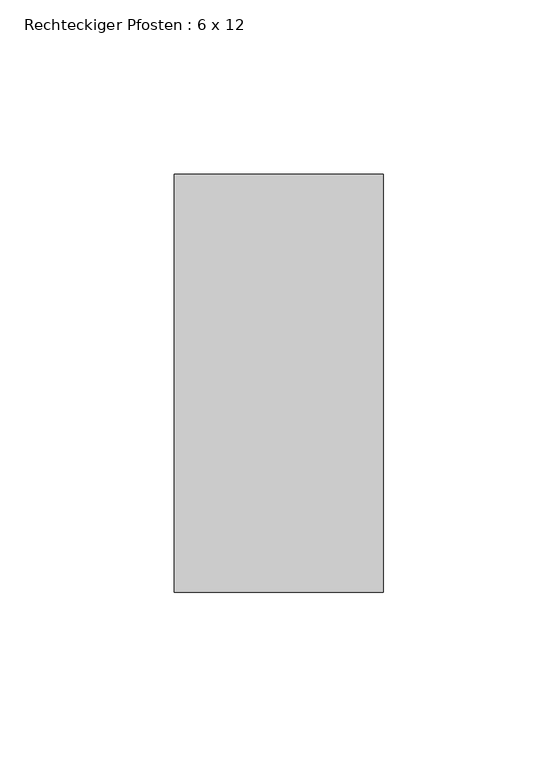
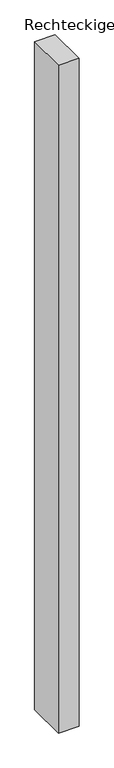
"""IFC4 building model written with IfcOpenShell, lengths in millimetres: member geometry, Rechteckiger Pfosten : 6 x 12."""

import ifcopenshell
import ifcopenshell.guid

model = None  # the IFC model being written
_history = None  # IfcOwnerHistory: only IFC2X3 demands one
_inside = {}  # id of a spatial element -> (the spatial element, [elements in it])
_under = {}  # id of a project, library or spatial element -> (it, [spatial elements below it])
_declared = {}  # id of a project -> (the project, [libraries it declares])
_typed = {}  # id of a type object -> (the type object, [elements of that type])
_made_of = {}  # id of a material, layer set ... -> (it, [elements and type objects made of it])


def new_model(schema):
    """Start an empty IFC model of exactly this schema.

    Asked for "IFC4X3", IfcOpenShell would pick the latest addendum, in which some entities
    have other attributes; the version numbers below select the first issue.
    IFC2X3 requires an IfcOwnerHistory on every rooted entity: one is made here for all.
    """
    global model, _history
    if schema == "IFC4X3":
        model = ifcopenshell.file(schema_version=(4, 3, 0, 0))
    else:
        model = ifcopenshell.file(schema=schema)
    _inside.clear()
    _under.clear()
    _declared.clear()
    _typed.clear()
    _made_of.clear()
    _history = None
    if model.schema == "IFC2X3":
        org = make("IfcOrganization", Name="unknown")
        user = make(
            "IfcPersonAndOrganization",
            ThePerson=make("IfcPerson", FamilyName="unknown"),
            TheOrganization=org,
        )
        app = make(
            "IfcApplication",
            ApplicationDeveloper=org,
            Version="unknown",
            ApplicationFullName="unknown",
            ApplicationIdentifier="unknown",
        )
        _history = make(
            "IfcOwnerHistory",
            OwningUser=user,
            OwningApplication=app,
            ChangeAction="ADDED",
            CreationDate=0,
        )
    return model


def make(cls, **values):
    """One entity of the class cls with the attributes given. An attribute that is None is left unset."""
    return model.create_entity(
        cls, **{name: value for name, value in values.items() if value is not None}
    )


def rooted(cls, **values):
    """An entity with a GlobalId (a new one), such as an element, a storey or a relation."""
    return make(cls, GlobalId=ifcopenshell.guid.new(), OwnerHistory=_history, **values)


def si_unit(unit_type, name, prefix=None):
    """IfcSIUnit, for example si_unit("LENGTHUNIT", "METRE", prefix="MILLI")."""
    return make("IfcSIUnit", UnitType=unit_type, Prefix=prefix, Name=name)


def assignment(units):
    """IfcUnitAssignment: the units of a project."""
    return None if units is None else make("IfcUnitAssignment", Units=units)


def point(xyz):
    """IfcCartesianPoint."""
    return None if xyz is None else make("IfcCartesianPoint", Coordinates=xyz)


def direction(xyz):
    """IfcDirection."""
    return None if xyz is None else make("IfcDirection", DirectionRatios=xyz)


def frame(location, z_axis=None, x_axis=None):
    """IfcAxis2Placement3D, a coordinate frame: its origin and axes. An axis left out is left unset."""
    return make(
        "IfcAxis2Placement3D",
        Location=point(location),
        Axis=direction(z_axis),
        RefDirection=direction(x_axis),
    )


def origin():
    """The frame at (0, 0, 0) with its axes left unset."""
    return frame((0.0, 0.0, 0.0))


def place(relative_to, where):
    """IfcLocalPlacement: puts the frame where relative to a parent placement (None: the world)."""
    return make(
        "IfcLocalPlacement", PlacementRelTo=relative_to, RelativePlacement=where
    )


def context(
    kind, dimensions, precision=None, world=None, true_north=None, identifier=None
):
    """IfcGeometricRepresentationContext, for example the 3D "Model" context."""
    return make(
        "IfcGeometricRepresentationContext",
        ContextIdentifier=identifier,
        ContextType=kind,
        CoordinateSpaceDimension=dimensions,
        Precision=precision,
        WorldCoordinateSystem=world,
        TrueNorth=true_north,
    )


def project(units=None, contexts=None):
    """IfcProject with its units and contexts."""
    return rooted(
        "IfcProject",
        Name="project",
        RepresentationContexts=contexts,
        UnitsInContext=assignment(units),
    )


def spatial(cls, under=None, at=None, **own):
    """A site, building, storey or space (cls), placed at a placement, below another one or the project."""
    s = rooted(cls, ObjectPlacement=at, **own)
    if under is not None:
        _under.setdefault(under.id(), (under, []))[1].append(s)
    return s


def polyline(points):
    """IfcPolyline through the points."""
    return make("IfcPolyline", Points=[point(p) for p in points])


def outline(outer, holes=None, kind="AREA"):
    """IfcArbitraryClosedProfileDef: a profile drawn as a closed curve; with holes, ...WithVoids."""
    if holes is None:
        return make("IfcArbitraryClosedProfileDef", ProfileType=kind, OuterCurve=outer)
    return make(
        "IfcArbitraryProfileDefWithVoids",
        ProfileType=kind,
        OuterCurve=outer,
        InnerCurves=holes,
    )


def extrude(swept, where, along, depth):
    """IfcExtrudedAreaSolid: the profile swept, set in the frame where, extruded along a direction by depth."""
    return make(
        "IfcExtrudedAreaSolid",
        SweptArea=swept,
        Position=where,
        ExtrudedDirection=direction(along),
        Depth=depth,
    )


def shape(context_of_items, identifier, shape_type, items):
    """IfcShapeRepresentation: the items that make up one representation, for example the "Body"."""
    return make(
        "IfcShapeRepresentation",
        ContextOfItems=context_of_items,
        RepresentationIdentifier=identifier,
        RepresentationType=shape_type,
        Items=items,
    )


def source(mapping_origin, context_of_items, identifier, shape_type, items):
    """IfcRepresentationMap: a shape defined once, which mapped items show again and again."""
    return make(
        "IfcRepresentationMap",
        MappingOrigin=mapping_origin,
        MappedRepresentation=shape(context_of_items, identifier, shape_type, items),
    )


def transform(
    local_origin,
    x_axis=None,
    y_axis=None,
    z_axis=None,
    scale=None,
    scale2=None,
    scale3=None,
    uniform=True,
):
    """IfcCartesianTransformationOperator3D, or its non-uniform kind. x_axis, y_axis, z_axis: its Axis1, 2, 3."""
    if uniform:
        return make(
            "IfcCartesianTransformationOperator3D",
            Axis1=direction(x_axis),
            Axis2=direction(y_axis),
            LocalOrigin=point(local_origin),
            Scale=scale,
            Axis3=direction(z_axis),
        )
    return make(
        "IfcCartesianTransformationOperator3DnonUniform",
        Axis1=direction(x_axis),
        Axis2=direction(y_axis),
        LocalOrigin=point(local_origin),
        Scale=scale,
        Axis3=direction(z_axis),
        Scale2=scale2,
        Scale3=scale3,
    )


def mapped(mapping_source, mapping_target):
    """IfcMappedItem: shows the shape of a source again, moved by a transform."""
    return make(
        "IfcMappedItem", MappingSource=mapping_source, MappingTarget=mapping_target
    )


def made_of(thing, what):
    """Note that an element or type object is made of a material, layer set ...; save() writes the relation."""
    if what is not None:
        _made_of.setdefault(what.id(), (what, []))[1].append(thing)
    return thing


def element(
    cls,
    number,
    at=None,
    inside=None,
    cuts=None,
    type_object=None,
    material=None,
    context=None,
    identifier="Body",
    shape_type=None,
    held_by="IfcProductDefinitionShape",
    body=None,
    shapes=None,
    **own,
):
    """One element of the class cls, such as IfcWall. Its Tag is "e" and its number.

    at: its placement. inside: the storey or other place that contains it. cuts: it is an
    opening in that element (IfcRelVoidsElement). A single representation is given by context,
    identifier, shape_type and body (its items); several are given by shapes. held_by: the class
    of the entity that holds the representations. save() writes the other relations.
    """
    e = rooted(cls, Tag="e%d" % number, ObjectPlacement=at, **own)
    if body is not None:
        shapes = [shape(context, identifier, shape_type, body)]
    if shapes is not None:
        e.Representation = make(held_by, Representations=shapes)
    if inside is not None:
        _inside.setdefault(inside.id(), (inside, []))[1].append(e)
    if cuts is not None:
        rooted(
            "IfcRelVoidsElement", RelatingBuildingElement=cuts, RelatedOpeningElement=e
        )
    if type_object is not None:
        _typed.setdefault(type_object.id(), (type_object, []))[1].append(e)
    return made_of(e, material)


def aggregate(whole, parts):
    """IfcRelAggregates: a whole, such as a stair, and the parts it consists of."""
    return rooted("IfcRelAggregates", RelatingObject=whole, RelatedObjects=parts)


def save(model, path):
    """Write the relations noted so far, then the file.

    IfcRelAggregates (storeys below a building ...), IfcRelContainedInSpatialStructure (elements
    in a storey), IfcRelDefinesByType, IfcRelAssociatesMaterial and IfcRelDeclares: one each for
    every whole, place, type object, material and project.
    """
    for whole, parts in _under.values():
        aggregate(whole, parts)
    for where, things in _inside.values():
        rooted(
            "IfcRelContainedInSpatialStructure",
            RelatedElements=things,
            RelatingStructure=where,
        )
    for kind, things in _typed.values():
        rooted("IfcRelDefinesByType", RelatedObjects=things, RelatingType=kind)
    for what, things in _made_of.values():
        rooted("IfcRelAssociatesMaterial", RelatedObjects=things, RelatingMaterial=what)
    for by, libraries in _declared.values():
        rooted("IfcRelDeclares", RelatingContext=by, RelatedDefinitions=libraries)
    model.write(path)


def rechteckiger_pfosten_6_x_12_3c27bcfa(model_context):
    return source(origin(), model_context, "Body", "SweptSolid", [
        extrude(outline(polyline([(30.0, 60.0), (30.0, -60.0), (-30.0, -60.0), (-30.0, 60.0), (30.0, 60.0)])), frame((0.0, 0.0, -2062.2426055), z_axis=(0.0, 0.0, 1.0), x_axis=(1.0, 0.0, 0.0)), (0.0, 0.0, 1.0), 2062.2426055),
    ])


if __name__ == "__main__":
    model = new_model("IFC4")
    model_context = context("Model", 3, world=origin())
    ifc_project = project(units=[si_unit("LENGTHUNIT", "METRE", prefix="MILLI")], contexts=[model_context])
    site = spatial("IfcSite", under=ifc_project)
    building = spatial("IfcBuilding", under=site)
    placement = place(None, origin())
    rechteckiger_pfosten_6_x_12_shape = rechteckiger_pfosten_6_x_12_3c27bcfa(model_context)
    element("IfcMember", 1, ObjectType="Rechteckiger Pfosten : 6 x 12", at=placement, inside=building, context=model_context, shape_type="MappedRepresentation", body=[
        mapped(rechteckiger_pfosten_6_x_12_shape, transform((0.0, 0.0, 0.0), x_axis=(1.0, 0.0, 0.0), y_axis=(0.0, 1.0, 0.0), z_axis=(0.0, 0.0, 1.0))),
    ])
    save(model, "model.ifc")
